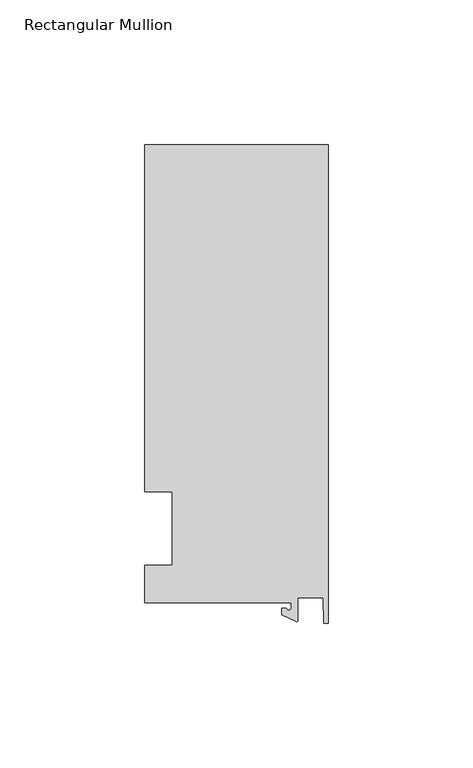
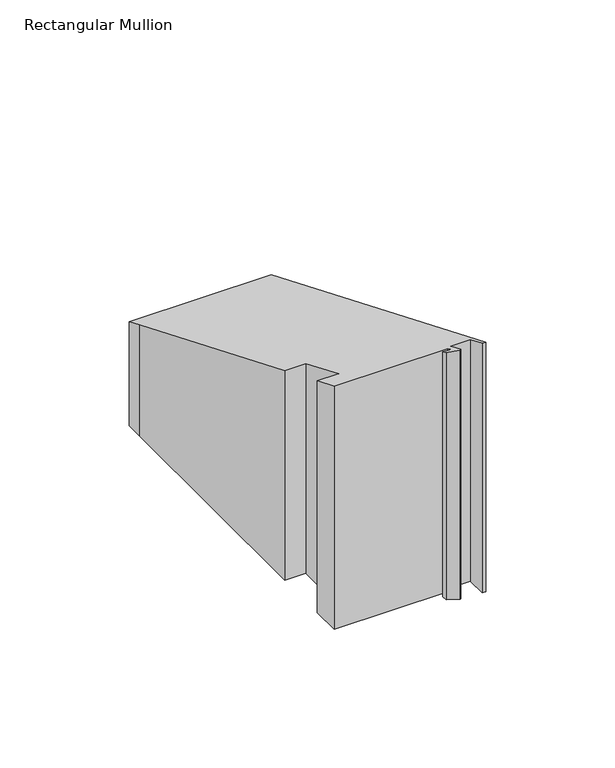
"""IFC4 building model written with IfcOpenShell, lengths in millimetres: member geometry, Rectangular Mullion."""

import ifcopenshell
import ifcopenshell.guid

model = None  # the IFC model being written
_history = None  # IfcOwnerHistory: only IFC2X3 demands one
_inside = {}  # id of a spatial element -> (the spatial element, [elements in it])
_under = {}  # id of a project, library or spatial element -> (it, [spatial elements below it])
_declared = {}  # id of a project -> (the project, [libraries it declares])
_typed = {}  # id of a type object -> (the type object, [elements of that type])
_made_of = {}  # id of a material, layer set ... -> (it, [elements and type objects made of it])


def new_model(schema):
    """Start an empty IFC model of exactly this schema.

    Asked for "IFC4X3", IfcOpenShell would pick the latest addendum, in which some entities
    have other attributes; the version numbers below select the first issue.
    IFC2X3 requires an IfcOwnerHistory on every rooted entity: one is made here for all.
    """
    global model, _history
    if schema == "IFC4X3":
        model = ifcopenshell.file(schema_version=(4, 3, 0, 0))
    else:
        model = ifcopenshell.file(schema=schema)
    _inside.clear()
    _under.clear()
    _declared.clear()
    _typed.clear()
    _made_of.clear()
    _history = None
    if model.schema == "IFC2X3":
        org = make("IfcOrganization", Name="unknown")
        user = make(
            "IfcPersonAndOrganization",
            ThePerson=make("IfcPerson", FamilyName="unknown"),
            TheOrganization=org,
        )
        app = make(
            "IfcApplication",
            ApplicationDeveloper=org,
            Version="unknown",
            ApplicationFullName="unknown",
            ApplicationIdentifier="unknown",
        )
        _history = make(
            "IfcOwnerHistory",
            OwningUser=user,
            OwningApplication=app,
            ChangeAction="ADDED",
            CreationDate=0,
        )
    return model


def make(cls, **values):
    """One entity of the class cls with the attributes given. An attribute that is None is left unset."""
    return model.create_entity(
        cls, **{name: value for name, value in values.items() if value is not None}
    )


def rooted(cls, **values):
    """An entity with a GlobalId (a new one), such as an element, a storey or a relation."""
    return make(cls, GlobalId=ifcopenshell.guid.new(), OwnerHistory=_history, **values)


def si_unit(unit_type, name, prefix=None):
    """IfcSIUnit, for example si_unit("LENGTHUNIT", "METRE", prefix="MILLI")."""
    return make("IfcSIUnit", UnitType=unit_type, Prefix=prefix, Name=name)


def assignment(units):
    """IfcUnitAssignment: the units of a project."""
    return None if units is None else make("IfcUnitAssignment", Units=units)


def point(xyz):
    """IfcCartesianPoint."""
    return None if xyz is None else make("IfcCartesianPoint", Coordinates=xyz)


def direction(xyz):
    """IfcDirection."""
    return None if xyz is None else make("IfcDirection", DirectionRatios=xyz)


def frame(location, z_axis=None, x_axis=None):
    """IfcAxis2Placement3D, a coordinate frame: its origin and axes. An axis left out is left unset."""
    return make(
        "IfcAxis2Placement3D",
        Location=point(location),
        Axis=direction(z_axis),
        RefDirection=direction(x_axis),
    )


def origin():
    """The frame at (0, 0, 0) with its axes left unset."""
    return frame((0.0, 0.0, 0.0))


def place(relative_to, where):
    """IfcLocalPlacement: puts the frame where relative to a parent placement (None: the world)."""
    return make(
        "IfcLocalPlacement", PlacementRelTo=relative_to, RelativePlacement=where
    )


def context(
    kind, dimensions, precision=None, world=None, true_north=None, identifier=None
):
    """IfcGeometricRepresentationContext, for example the 3D "Model" context."""
    return make(
        "IfcGeometricRepresentationContext",
        ContextIdentifier=identifier,
        ContextType=kind,
        CoordinateSpaceDimension=dimensions,
        Precision=precision,
        WorldCoordinateSystem=world,
        TrueNorth=true_north,
    )


def project(units=None, contexts=None):
    """IfcProject with its units and contexts."""
    return rooted(
        "IfcProject",
        Name="project",
        RepresentationContexts=contexts,
        UnitsInContext=assignment(units),
    )


def spatial(cls, under=None, at=None, **own):
    """A site, building, storey or space (cls), placed at a placement, below another one or the project."""
    s = rooted(cls, ObjectPlacement=at, **own)
    if under is not None:
        _under.setdefault(under.id(), (under, []))[1].append(s)
    return s


def polyline(points):
    """IfcPolyline through the points."""
    return make("IfcPolyline", Points=[point(p) for p in points])


def circle_curve(where, radius):
    """IfcCircle in the frame where."""
    return make("IfcCircle", Position=where, Radius=radius)


def ellipse_curve(where, semi_axis1, semi_axis2):
    """IfcEllipse in the frame where."""
    return make(
        "IfcEllipse", Position=where, SemiAxis1=semi_axis1, SemiAxis2=semi_axis2
    )


def shape(context_of_items, identifier, shape_type, items):
    """IfcShapeRepresentation: the items that make up one representation, for example the "Body"."""
    return make(
        "IfcShapeRepresentation",
        ContextOfItems=context_of_items,
        RepresentationIdentifier=identifier,
        RepresentationType=shape_type,
        Items=items,
    )


def source(mapping_origin, context_of_items, identifier, shape_type, items):
    """IfcRepresentationMap: a shape defined once, which mapped items show again and again."""
    return make(
        "IfcRepresentationMap",
        MappingOrigin=mapping_origin,
        MappedRepresentation=shape(context_of_items, identifier, shape_type, items),
    )


def transform(
    local_origin,
    x_axis=None,
    y_axis=None,
    z_axis=None,
    scale=None,
    scale2=None,
    scale3=None,
    uniform=True,
):
    """IfcCartesianTransformationOperator3D, or its non-uniform kind. x_axis, y_axis, z_axis: its Axis1, 2, 3."""
    if uniform:
        return make(
            "IfcCartesianTransformationOperator3D",
            Axis1=direction(x_axis),
            Axis2=direction(y_axis),
            LocalOrigin=point(local_origin),
            Scale=scale,
            Axis3=direction(z_axis),
        )
    return make(
        "IfcCartesianTransformationOperator3DnonUniform",
        Axis1=direction(x_axis),
        Axis2=direction(y_axis),
        LocalOrigin=point(local_origin),
        Scale=scale,
        Axis3=direction(z_axis),
        Scale2=scale2,
        Scale3=scale3,
    )


def mapped(mapping_source, mapping_target):
    """IfcMappedItem: shows the shape of a source again, moved by a transform."""
    return make(
        "IfcMappedItem", MappingSource=mapping_source, MappingTarget=mapping_target
    )


def made_of(thing, what):
    """Note that an element or type object is made of a material, layer set ...; save() writes the relation."""
    if what is not None:
        _made_of.setdefault(what.id(), (what, []))[1].append(thing)
    return thing


def element(
    cls,
    number,
    at=None,
    inside=None,
    cuts=None,
    type_object=None,
    material=None,
    context=None,
    identifier="Body",
    shape_type=None,
    held_by="IfcProductDefinitionShape",
    body=None,
    shapes=None,
    **own,
):
    """One element of the class cls, such as IfcWall. Its Tag is "e" and its number.

    at: its placement. inside: the storey or other place that contains it. cuts: it is an
    opening in that element (IfcRelVoidsElement). A single representation is given by context,
    identifier, shape_type and body (its items); several are given by shapes. held_by: the class
    of the entity that holds the representations. save() writes the other relations.
    """
    e = rooted(cls, Tag="e%d" % number, ObjectPlacement=at, **own)
    if body is not None:
        shapes = [shape(context, identifier, shape_type, body)]
    if shapes is not None:
        e.Representation = make(held_by, Representations=shapes)
    if inside is not None:
        _inside.setdefault(inside.id(), (inside, []))[1].append(e)
    if cuts is not None:
        rooted(
            "IfcRelVoidsElement", RelatingBuildingElement=cuts, RelatedOpeningElement=e
        )
    if type_object is not None:
        _typed.setdefault(type_object.id(), (type_object, []))[1].append(e)
    return made_of(e, material)


def aggregate(whole, parts):
    """IfcRelAggregates: a whole, such as a stair, and the parts it consists of."""
    return rooted("IfcRelAggregates", RelatingObject=whole, RelatedObjects=parts)


def save(model, path):
    """Write the relations noted so far, then the file.

    IfcRelAggregates (storeys below a building ...), IfcRelContainedInSpatialStructure (elements
    in a storey), IfcRelDefinesByType, IfcRelAssociatesMaterial and IfcRelDeclares: one each for
    every whole, place, type object, material and project.
    """
    for whole, parts in _under.values():
        aggregate(whole, parts)
    for where, things in _inside.values():
        rooted(
            "IfcRelContainedInSpatialStructure",
            RelatedElements=things,
            RelatingStructure=where,
        )
    for kind, things in _typed.values():
        rooted("IfcRelDefinesByType", RelatedObjects=things, RelatingType=kind)
    for what, things in _made_of.values():
        rooted("IfcRelAssociatesMaterial", RelatedObjects=things, RelatingMaterial=what)
    for by, libraries in _declared.values():
        rooted("IfcRelDeclares", RelatingContext=by, RelatedDefinitions=libraries)
    model.write(path)


def plane_surface(at):
    """IfcPlane: the flat surface through the origin of the frame at, square to its z axis."""
    return make("IfcPlane", Position=at)


def cylinder_surface(at, radius):
    """IfcCylindricalSurface: all points at the distance radius from the z axis of the frame at."""
    return make("IfcCylindricalSurface", Position=at, Radius=radius)


def revolved_surface(curve, axis_point, axis_direction):
    """IfcSurfaceOfRevolution: the curve turned about the line through axis_point along axis_direction."""
    return make(
        "IfcSurfaceOfRevolution",
        SweptCurve=make("IfcArbitraryOpenProfileDef", ProfileType="CURVE", Curve=curve),
        AxisPosition=make("IfcAxis1Placement", Location=point(axis_point), Axis=direction(axis_direction)),
    )


def advanced_brep(points, edges, surfaces, faces):
    """IfcAdvancedBrep: a solid bounded by faces that lie on surfaces and meet in shared edges.

    An edge is (start, end): straight between two places in points (the first is 0);
    or (start, end, curve); or (start, end, curve, False) where it runs against its curve.
    A face is (place in surfaces, loops), or (place, loops, False) where it looks against
    its surface's normal. A loop lists edges by number (the first is 1), with a minus sign
    where the edge is run from its end to its start. The first loop is the outer one.
    """
    corners = [point(p) for p in points]
    vertices = [make("IfcVertexPoint", VertexGeometry=c) for c in corners]
    made = []
    for start, end, *more in edges:
        made.append(
            make(
                "IfcEdgeCurve",
                EdgeStart=vertices[start],
                EdgeEnd=vertices[end],
                EdgeGeometry=more[0] if more else make("IfcPolyline", Points=[corners[start], corners[end]]),
                SameSense=more[1] if len(more) > 1 else True,
            )
        )
    hull = []
    for where, loops, *sense in faces:
        bounds = []
        for j, loop in enumerate(loops):
            ring = [make("IfcOrientedEdge", EdgeElement=made[abs(k) - 1], Orientation=k > 0) for k in loop]
            bounds.append(
                make(
                    "IfcFaceOuterBound" if j == 0 else "IfcFaceBound",
                    Bound=make("IfcEdgeLoop", EdgeList=ring),
                    Orientation=True,
                )
            )
        hull.append(make("IfcAdvancedFace", Bounds=bounds, FaceSurface=surfaces[where], SameSense=sense[0] if sense else True))
    return make("IfcAdvancedBrep", Outer=make("IfcClosedShell", CfsFaces=hull))


def rectangular_mullion_04cbe9c6(model_context):
    return source(origin(), model_context, "Body", "AdvancedBrep", [
        advanced_brep(
        [(-12.8216721, -25.5984375, -104.2381611), (-63.5, -25.5984375, -104.2381611), (-63.5, -12.7, -104.2381611), (-53.975, -12.7, -104.2381611), (-53.975, 12.7, -104.2381611), (-63.5, 12.7, -104.2381611), (-63.5, 125.075512, -104.2381611), (-63.5, 132.822512, -104.2381611), (0.0, 132.822512, -104.2381611), (0.0, -32.810012, -104.2381611), (-1.5566453, -32.810012, -104.2381611), (-1.7144124, -23.9227662, -104.2381611), (-10.4340721, -23.9227662, -104.2381611), (-10.4340721, -31.6795354, -104.2381611), (-11.1567622, -32.1399398, -104.2381611), (-15.9966721, -29.8830527, -104.2381611), (-15.9966721, -27.5208534, -104.2381611), (-14.4091721, -27.5208534, -104.2381611), (-12.8216721, -27.5208534, -104.2381611), (-12.8216721, -27.5208534, 11.3995107), (-12.8216721, -25.5984375, 10.60322), (-14.4091721, -27.5208534, 11.3995107), (-15.9966721, -27.5208534, 11.3995107), (-15.9966721, -29.8830527, 12.3779657), (-11.1567622, -32.1399398, 13.312799), (-10.4340721, -31.6795354, 13.1220932), (-10.4340721, -23.9227662, 9.9091342), (-1.7144124, -23.9227662, 9.9091342), (-1.5566453, -32.810012, 13.5903519), (0.0, -32.810012, 13.5903519), (0.0, 132.822512, -55.0168859), (-63.5, 132.822512, -55.0168859), (-63.5, 125.075512, -51.8079734), (-63.5, 12.7, -5.2605122), (-53.975, 12.7, -5.2605122), (-53.975, -12.7, 5.2605122), (-63.5, -12.7, 5.2605122), (-63.5, -25.5984375, 10.60322)],
        [
            (0, 1),
            (1, 2),
            (2, 3),
            (3, 4),
            (4, 5),
            (5, 6),
            (6, 7),
            (7, 8),
            (8, 9),
            (9, 10),
            (10, 11),
            (11, 12),
            (12, 13),
            (13, 14, circle_curve(frame((-10.9420721, -31.6795354, -104.2381611), z_axis=(0.0, 0.0, -1.0), x_axis=(-1.0, 0.0, 0.0)), 0.508)),
            (14, 15),
            (15, 16),
            (16, 17),
            (17, 18, circle_curve(frame((-13.6154221, -27.5208534, -104.2381611), z_axis=(0.0, 0.0, 1.0), x_axis=(-1.0, 0.0, 0.0)), 0.79375)),
            (18, 0),
            (19, 20),
            (20, 0),
            (18, 19),
            (21, 19, ellipse_curve(frame((-13.6154221, -27.5208534, 11.3995107), z_axis=(0.0, 0.38268343236508806, 0.9238795325112875), x_axis=(0.0, 0.9238795325112876, -0.38268343236508784)), 0.8591488, 0.79375)),
            (17, 21),
            (22, 21),
            (16, 22),
            (23, 22),
            (15, 23),
            (24, 23),
            (14, 24),
            (25, 24, ellipse_curve(frame((-10.9420721, -31.6795354, 13.1220932), z_axis=(0.0, -0.38268343236508806, -0.9238795325112875), x_axis=(0.0, -0.9238795325112876, 0.38268343236508784)), 0.5498552, 0.508)),
            (13, 25),
            (26, 25),
            (12, 26),
            (27, 26),
            (11, 27),
            (28, 27),
            (10, 28),
            (29, 28),
            (9, 29),
            (30, 29),
            (8, 30),
            (31, 30),
            (7, 31),
            (32, 31),
            (6, 32),
            (33, 32),
            (5, 33),
            (34, 33),
            (4, 34),
            (35, 34),
            (3, 35),
            (36, 35),
            (2, 36),
            (37, 36),
            (1, 37),
            (20, 37),
        ],
        [
            plane_surface(frame((0.0, -147.2211591, -104.2381611), z_axis=(0.0, 0.0, -1.0), x_axis=(-1.0, 0.0, 0.0))),
            plane_surface(frame((-12.8216721, -25.5984375, 0.0), z_axis=(-1.0, 0.0, 0.0), x_axis=(0.0, 0.0, -1.0))),
            revolved_surface(polyline([(-14.4091721, -27.5208534, -104.2381611), (-14.4091721, -27.5208534, 11.728292711696346)]), (-13.6154221, -27.5208534, 0.0), (0.0, 0.0, -1.0)),
            plane_surface(frame((-14.4091721, -27.5208534, 0.0), z_axis=(0.0, 1.0, 0.0), x_axis=(0.0, 0.0, -1.0))),
            plane_surface(frame((-15.9966721, -27.5208534, 0.0), z_axis=(-1.0, 0.0, 0.0), x_axis=(0.0, 0.0, -1.0))),
            plane_surface(frame((-15.9966721, -29.8830527, 0.0), z_axis=(-0.4226182617406985, -0.9063077870366505, 0.0), x_axis=(0.0, 0.0, -1.0))),
            cylinder_surface(frame((-10.9420721, -31.6795354, 0.0), z_axis=(0.0, 0.0, 1.0), x_axis=(-1.0, 0.0, 0.0)), 0.508),
            plane_surface(frame((-10.4340721, -31.6795354, 0.0), z_axis=(1.0, 0.0, 0.0), x_axis=(0.0, 0.0, -1.0))),
            plane_surface(frame((-10.4340721, -23.9227662, 0.0), z_axis=(0.0, -1.0, 0.0), x_axis=(0.0, 0.0, -1.0))),
            plane_surface(frame((-1.7144124, -23.9227662, 0.0), z_axis=(-0.9998424690407919, -0.017749284560600327, 0.0), x_axis=(0.0, 0.0, -1.0))),
            plane_surface(frame((-1.5566453, -32.810012, 0.0), z_axis=(0.0, -1.0, 0.0), x_axis=(0.0, 0.0, -1.0))),
            plane_surface(frame((0.0, -32.810012, 0.0), z_axis=(1.0, 0.0, 0.0), x_axis=(0.0, 0.0, -1.0))),
            plane_surface(frame((0.0, 132.822512, 0.0), z_axis=(0.0, 1.0, 0.0), x_axis=(0.0, 0.0, -1.0))),
            plane_surface(frame((-63.5, 132.822512, 0.0), z_axis=(-1.0, 0.0, 0.0), x_axis=(0.0, 0.0, -1.0))),
            plane_surface(frame((-63.5, 125.075512, 0.0), z_axis=(-1.0, 0.0, 0.0), x_axis=(0.0, 0.0, -1.0))),
            plane_surface(frame((-63.5, 12.7, 0.0), z_axis=(0.0, -1.0, 0.0), x_axis=(0.0, 0.0, -1.0))),
            plane_surface(frame((-53.975, 12.7, 0.0), z_axis=(-1.0, 0.0, 0.0), x_axis=(0.0, 0.0, -1.0))),
            plane_surface(frame((-53.975, -12.7, 0.0), z_axis=(0.0, 1.0, 0.0), x_axis=(0.0, 0.0, -1.0))),
            plane_surface(frame((-63.5, -12.7, 0.0), z_axis=(-1.0, 0.0, 0.0), x_axis=(0.0, 0.0, -1.0))),
            plane_surface(frame((-63.5, -25.5984375, 0.0), z_axis=(0.0, -1.0, 0.0), x_axis=(0.0, 0.0, -1.0))),
            plane_surface(frame((-304.8, 0.0, 0.0), z_axis=(0.0, 0.38268343236508806, 0.9238795325112875), x_axis=(0.0, 0.9238795325112875, -0.38268343236508806))),
        ],
        [
            (0, [[1, 2, 3, 4, 5, 6, 7, 8, 9, 10, 11, 12, 13, 14, 15, 16, 17, 18, 19]]),
            (1, [[20, 21, -19, 22]]),
            (2, [[23, -22, -18, 24]]),
            (3, [[25, -24, -17, 26]]),
            (4, [[27, -26, -16, 28]]),
            (5, [[29, -28, -15, 30]]),
            (6, [[31, -30, -14, 32]]),
            (7, [[33, -32, -13, 34]]),
            (8, [[35, -34, -12, 36]]),
            (9, [[37, -36, -11, 38]]),
            (10, [[39, -38, -10, 40]]),
            (11, [[41, -40, -9, 42]]),
            (12, [[43, -42, -8, 44]]),
            (13, [[45, -44, -7, 46]]),
            (14, [[47, -46, -6, 48]]),
            (15, [[49, -48, -5, 50]]),
            (16, [[51, -50, -4, 52]]),
            (17, [[53, -52, -3, 54]]),
            (18, [[55, -54, -2, 56]]),
            (19, [[57, -56, -1, -21]]),
            (20, [[-20, -23, -25, -27, -29, -31, -33, -35, -37, -39, -41, -43, -45, -47, -49, -51, -53, -55, -57]]),
        ],
    ),
    ])


if __name__ == "__main__":
    model = new_model("IFC4")
    model_context = context("Model", 3, world=origin())
    ifc_project = project(units=[si_unit("LENGTHUNIT", "METRE", prefix="MILLI")], contexts=[model_context])
    site = spatial("IfcSite", under=ifc_project)
    building = spatial("IfcBuilding", under=site)
    placement = place(None, origin())
    rectangular_mullion_shape = rectangular_mullion_04cbe9c6(model_context)
    element("IfcMember", 1, ObjectType="Rectangular Mullion", at=placement, inside=building, context=model_context, shape_type="MappedRepresentation", body=[
        mapped(rectangular_mullion_shape, transform((0.0, 0.0, 0.0), x_axis=(1.0, 0.0, 0.0), y_axis=(0.0, 1.0, 0.0), z_axis=(0.0, 0.0, 1.0))),
    ])
    save(model, "model.ifc")
